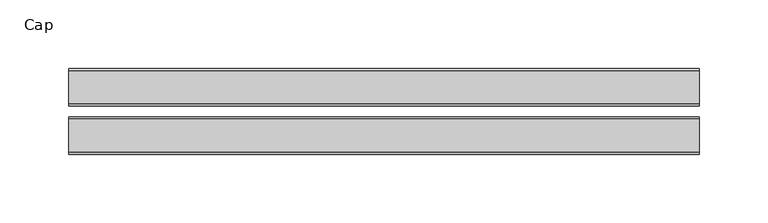
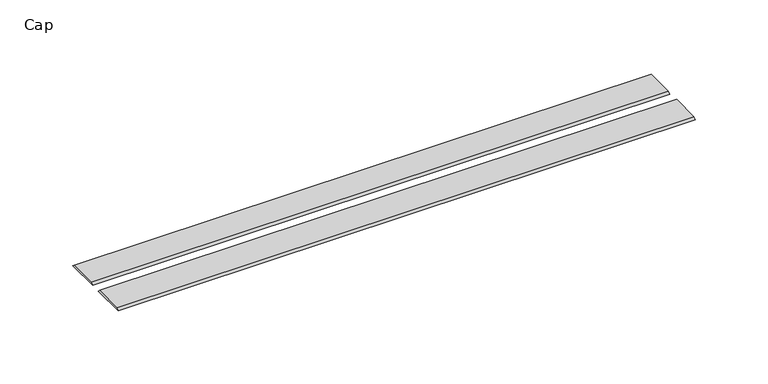
"""IFC4 building model written with IfcOpenShell, lengths in millimetres: furniture geometry, Cap."""

from ifc_helpers import new_model, si_unit, frame, origin, place, context, project, spatial, polyline, outline, extrude, source, transform, mapped, element, save


def cap_a1c430bb(model_context):
    return source(origin(), model_context, "Body", "SweptSolid", [
        extrude(outline(polyline([(46.5601737, 0.0), (19.498911, 0.0), (21.086411, 1.5875), (44.9726737, 1.5875), (46.5601737, 0.0)])), frame((-198.6228469, 0.0, 0.0), z_axis=(1.0, 0.0, 0.0), x_axis=(0.0, 1.0, 0.0)), (0.0, 0.0, 1.0), 457.2),
        extrude(outline(polyline([(-15.5565637, 0.0), (-13.9690637, 1.5875), (9.9171991, 1.5875), (11.5046991, 0.0), (-15.5565637, 0.0)])), frame((-198.6228469, 0.0, 0.0), z_axis=(1.0, 0.0, 0.0), x_axis=(0.0, 1.0, 0.0)), (0.0, 0.0, 1.0), 457.2),
    ])


if __name__ == "__main__":
    model = new_model("IFC4")
    model_context = context("Model", 3, world=origin())
    ifc_project = project(units=[si_unit("LENGTHUNIT", "METRE", prefix="MILLI")], contexts=[model_context])
    site = spatial("IfcSite", under=ifc_project)
    building = spatial("IfcBuilding", under=site)
    placement = place(None, origin())
    cap_shape = cap_a1c430bb(model_context)
    element("IfcFurniture", 1, ObjectType="Cap", at=placement, inside=building, context=model_context, shape_type="MappedRepresentation", body=[
        mapped(cap_shape, transform((0.0, 0.0, 0.0), x_axis=(1.0, 0.0, 0.0), y_axis=(0.0, 1.0, 0.0), z_axis=(0.0, 0.0, 1.0))),
    ])
    save(model, "model.ifc")
